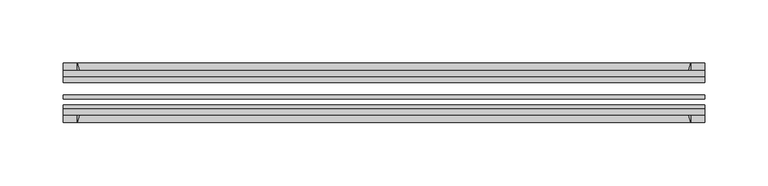
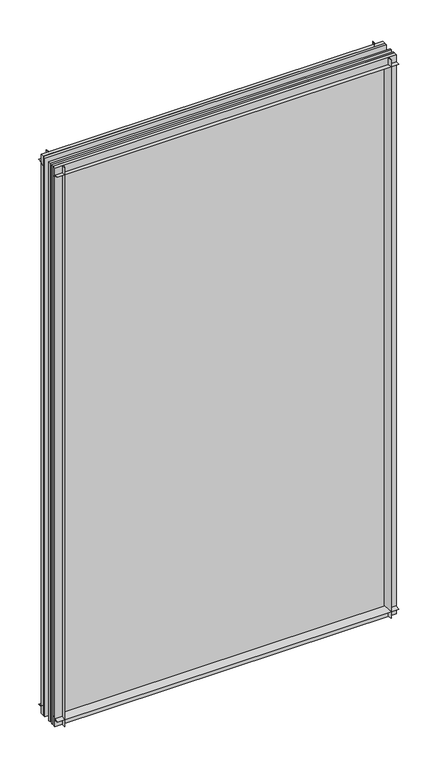
"""IFC4 building model written with IfcOpenShell, lengths in millimetres: plate geometry."""

from ifc_helpers import new_model, si_unit, point, frame, frame_2d, origin, place, context, project, spatial, polyline, circle_curve, trimmed, segment, composite_curve, outline, extrude, source, transform, mapped, element, save


def plate_65e9354a(model_context):
    return source(origin(), model_context, "Body", "SweptSolid", [
        extrude(outline(composite_curve([segment(polyline([(-74.653775, 0.0), (-80.586498, 0.0)]), True, "CONTINUOUS"), segment(trimmed(circle_curve(frame_2d((-86.2543953, 32.273404)), 32.7673262), [point((-80.586498, 0.0))], [point((-69.878575, 3.8915405))], True, "CARTESIAN"), True, "CONTINUOUS"), segment(polyline([(-69.878575, 3.8915405), (-69.878575, -10.31875), (-74.653775, -10.31875), (-74.653775, 0.0)]), True, "CONTINUOUS")], self_intersect=False)), frame((-253.3656495, 0.0, 0.0), z_axis=(1.0, 0.0, 0.0), x_axis=(0.0, 1.0, 0.0)), (0.0, 0.0, 1.0), 506.7312991),
        extrude(outline(composite_curve([segment(polyline([(-44.478575, -10.31875), (-44.478575, 3.8915405)]), True, "CONTINUOUS"), segment(trimmed(circle_curve(frame_2d((-28.1027547, 32.273404)), 32.7673262), [point((-44.478575, 3.8915405))], [point((-33.770652, 0.0))], True, "CARTESIAN"), True, "CONTINUOUS"), segment(polyline([(-33.770652, 0.0), (-39.703375, 0.0), (-39.703375, -10.31875), (-44.478575, -10.31875)]), True, "CONTINUOUS")], self_intersect=False)), frame((-253.3656495, 0.0, 0.0), z_axis=(1.0, 0.0, 0.0), x_axis=(0.0, 1.0, 0.0)), (0.0, 0.0, 1.0), 506.7312991),
        extrude(outline(composite_curve([segment(trimmed(circle_curve(frame_2d((-86.2543953, 821.795246)), 32.7673262), [point((-69.878575, 850.1771095))], [point((-80.622775, 854.075))], True, "CARTESIAN"), True, "CONTINUOUS"), segment(polyline([(-80.622775, 854.075), (-74.653775, 854.075), (-74.653775, 865.1875), (-69.878575, 865.1875), (-69.878575, 850.1771095)]), True, "CONTINUOUS")], self_intersect=False)), frame((-253.3656495, 0.0, 0.0), z_axis=(1.0, 0.0, 0.0), x_axis=(0.0, 1.0, 0.0)), (0.0, 0.0, 1.0), 506.7312991),
        extrude(outline(composite_curve([segment(polyline([(-44.478575, 850.1771095), (-44.478575, 865.1875), (-39.703375, 865.1875), (-39.703375, 854.075), (-33.734375, 854.075)]), True, "CONTINUOUS"), segment(trimmed(circle_curve(frame_2d((-28.1027547, 821.795246)), 32.7673262), [point((-33.734375, 854.075))], [point((-44.478575, 850.1771095))], True, "CARTESIAN"), True, "CONTINUOUS")], self_intersect=False)), frame((-253.3656495, 0.0, 0.0), z_axis=(1.0, 0.0, 0.0), x_axis=(0.0, 1.0, 0.0)), (0.0, 0.0, 1.0), 506.7312991),
        extrude(outline(composite_curve([segment(polyline([(238.355259, -69.878575), (253.3656495, -69.878575), (253.3656495, -74.653775), (242.2531495, -74.653775), (242.2531495, -80.622775)]), True, "CONTINUOUS"), segment(trimmed(circle_curve(frame_2d((209.9733956, -86.2543953)), 32.7673262), [point((242.2531495, -80.622775))], [point((238.355259, -69.878575))], True, "CARTESIAN"), True, "CONTINUOUS")], self_intersect=False)), frame((0.0, 0.0, -10.31875), z_axis=(0.0, 0.0, 1.0), x_axis=(1.0, 0.0, 0.0)), (0.0, 0.0, 1.0), 875.50625),
        extrude(outline(composite_curve([segment(trimmed(circle_curve(frame_2d((209.9733956, -28.1027547)), 32.7673262), [point((238.355259, -44.478575))], [point((242.2531495, -33.734375))], True, "CARTESIAN"), True, "CONTINUOUS"), segment(polyline([(242.2531495, -33.734375), (242.2531495, -39.703375), (253.3656495, -39.703375), (253.3656495, -44.478575), (238.355259, -44.478575)]), True, "CONTINUOUS")], self_intersect=False)), frame((0.0, 0.0, -10.31875), z_axis=(0.0, 0.0, 1.0), x_axis=(1.0, 0.0, 0.0)), (0.0, 0.0, 1.0), 875.50625),
        extrude(outline(composite_curve([segment(trimmed(circle_curve(frame_2d((-209.9733956, -86.2543953)), 32.7673262), [point((-238.355259, -69.878575))], [point((-242.2531495, -80.622775))], True, "CARTESIAN"), True, "CONTINUOUS"), segment(polyline([(-242.2531495, -80.622775), (-242.2531495, -74.653775), (-253.3656495, -74.653775), (-253.3656495, -69.878575), (-238.355259, -69.878575)]), True, "CONTINUOUS")], self_intersect=False)), frame((0.0, 0.0, -10.31875), z_axis=(0.0, 0.0, 1.0), x_axis=(1.0, 0.0, 0.0)), (0.0, 0.0, 1.0), 875.50625),
        extrude(outline(composite_curve([segment(polyline([(-238.355259, -44.478575), (-253.3656495, -44.478575), (-253.3656495, -39.703375), (-242.2531495, -39.703375), (-242.2531495, -33.734375)]), True, "CONTINUOUS"), segment(trimmed(circle_curve(frame_2d((-209.9733956, -28.1027547)), 32.7673262), [point((-242.2531495, -33.734375))], [point((-238.355259, -44.478575))], True, "CARTESIAN"), True, "CONTINUOUS")], self_intersect=False)), frame((0.0, 0.0, -10.31875), z_axis=(0.0, 0.0, 1.0), x_axis=(1.0, 0.0, 0.0)), (0.0, 0.0, 1.0), 875.50625),
        extrude(outline(polyline([(-253.3656495, -44.478575), (253.3656495, -44.478575), (253.3656495, -49.241075), (-253.3656495, -49.241075), (-253.3656495, -44.478575)])), frame((0.0, 0.0, -10.31875), z_axis=(0.0, 0.0, 1.0), x_axis=(1.0, 0.0, 0.0)), (0.0, 0.0, 1.0), 875.50625),
        extrude(outline(polyline([(253.3656495, -58.956575), (253.3656495, -62.131575), (-253.3656495, -62.131575), (-253.3656495, -58.956575), (253.3656495, -58.956575)])), frame((0.0, 0.0, -10.31875), z_axis=(0.0, 0.0, 1.0), x_axis=(1.0, 0.0, 0.0)), (0.0, 0.0, 1.0), 875.50625),
        extrude(outline(polyline([(-253.3656495, -66.703575), (253.3656495, -66.703575), (253.3656495, -69.878575), (-253.3656495, -69.878575), (-253.3656495, -66.703575)])), frame((0.0, 0.0, -10.31875), z_axis=(0.0, 0.0, 1.0), x_axis=(1.0, 0.0, 0.0)), (0.0, 0.0, 1.0), 875.50625),
    ])


if __name__ == "__main__":
    model = new_model("IFC4")
    model_context = context("Model", 3, world=origin())
    ifc_project = project(units=[si_unit("LENGTHUNIT", "METRE", prefix="MILLI")], contexts=[model_context])
    site = spatial("IfcSite", under=ifc_project)
    building = spatial("IfcBuilding", under=site)
    placement = place(None, origin())
    plate_shape = plate_65e9354a(model_context)
    element("IfcPlate", 1, at=placement, inside=building, context=model_context, shape_type="MappedRepresentation", body=[
        mapped(plate_shape, transform((0.0, 0.0, 0.0), x_axis=(1.0, 0.0, 0.0), y_axis=(0.0, 1.0, 0.0), z_axis=(0.0, 0.0, 1.0))),
    ])
    save(model, "model.ifc")
